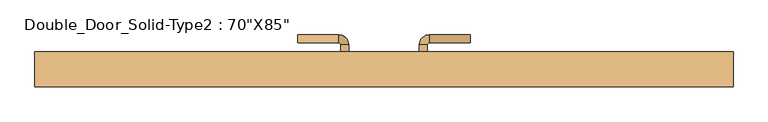
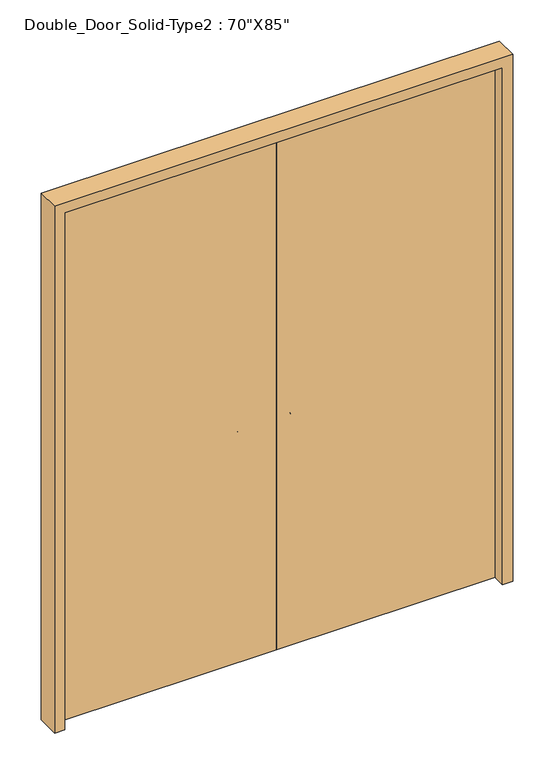
"""IFC4 building model written with IfcOpenShell, lengths in millimetres: door geometry."""

from ifc_helpers import new_model, si_unit, point, frame, frame_2d, origin, origin_with_axes, place, context, project, spatial, polyline, circle_curve, ellipse_curve, trimmed, segment, composite_curve, outline, extrude, source, transform, mapped, element, save
from ifc_brep_helpers import plane_surface, cylinder_surface, revolved_surface, advanced_brep


def door_d68e1cb7(model_context):
    return source(origin(), model_context, "Body", "SolidModel", [
        advanced_brep(
        [(-90.0, 32.45, 900.0), (-110.0, 32.45, 900.0), (-110.0, 62.45, 900.0), (-90.0, 62.45, 900.0), (-115.0, 67.45, 900.0), (-115.0, 87.45, 900.0), (-220.0, 87.45, 900.0), (-220.0, 67.45, 900.0)],
        [
            (0, 1, circle_curve(frame((-100.0, 32.45, 900.0), z_axis=(0.0, -1.0, 0.0), x_axis=(-1.0, 0.0, 0.0)), 10.0)),
            (1, 0, circle_curve(frame((-100.0, 32.45, 900.0), z_axis=(0.0, -1.0, 0.0), x_axis=(-1.0, 0.0, 0.0)), 10.0)),
            (1, 2),
            (2, 3, circle_curve(frame((-100.0, 62.45, 900.0), z_axis=(0.0, -1.0, 0.0), x_axis=(-1.0, 0.0, 0.0)), 10.0)),
            (3, 0),
            (3, 2, circle_curve(frame((-100.0, 62.45, 900.0), z_axis=(0.0, -1.0, 0.0), x_axis=(-1.0, 0.0, 0.0)), 10.0)),
            (4, 5, circle_curve(frame((-115.0, 77.45, 900.0), z_axis=(1.0, 0.0, 0.0), x_axis=(0.0, -1.0, 0.0)), 10.0)),
            (5, 3, circle_curve(frame((-115.0, 62.45, 900.0), z_axis=(0.0, 0.0, -1.0), x_axis=(1.0, 0.0, 0.0)), 25.0)),
            (2, 4, circle_curve(frame((-115.0, 62.45, 900.0), z_axis=(0.0, 0.0, 1.0), x_axis=(1.0, 0.0, 0.0)), 5.0)),
            (5, 4, circle_curve(frame((-115.0, 77.45, 900.0), z_axis=(1.0, 0.0, 0.0), x_axis=(0.0, -1.0, 0.0)), 10.0)),
            (6, 7, circle_curve(frame((-220.0, 77.45, 900.0), z_axis=(-1.0, 0.0, 0.0), x_axis=(0.0, -1.0, 0.0)), 10.0)),
            (7, 6, circle_curve(frame((-220.0, 77.45, 900.0), z_axis=(-1.0, 0.0, 0.0), x_axis=(0.0, -1.0, 0.0)), 10.0)),
            (4, 7),
            (6, 5),
        ],
        [
            plane_surface(frame((-100.0, 32.45, 900.0), z_axis=(0.0, -1.0, 0.0), x_axis=(0.0, 0.0, 1.0))),
            cylinder_surface(frame((-100.0, 32.45, 900.0), z_axis=(0.0, -1.0, 0.0), x_axis=(-1.0, 0.0, 0.0)), 10.0),
            revolved_surface(trimmed(ellipse_curve(frame((-100.0, 62.45, 900.0), z_axis=(0.0, 1.0, 0.0), x_axis=(-1.0, 0.0, 0.0)), 10.0, 10.0), [point((-90.0, 62.45, 900.0))], [point((-110.0, 62.45, 900.0))], True, "CARTESIAN"), (-115.0, 62.45, 900.0), (0.0, 0.0, -1.0)),
            revolved_surface(trimmed(ellipse_curve(frame((-100.0, 62.45, 900.0), z_axis=(0.0, 1.0, 0.0), x_axis=(-1.0, 0.0, 0.0)), 10.0, 10.0), [point((-110.0, 62.45, 900.0))], [point((-90.0, 62.45, 900.0))], True, "CARTESIAN"), (-115.0, 62.45, 900.0), (0.0, 0.0, -1.0)),
            plane_surface(frame((-220.0, 77.45, 900.0), z_axis=(-1.0, 0.0, 0.0), x_axis=(0.0, 0.0, 1.0))),
            cylinder_surface(frame((-115.0, 77.45, 900.0), z_axis=(1.0, 0.0, 0.0), x_axis=(0.0, -1.0, 0.0)), 10.0),
        ],
        [
            (0, [[1, 2]]),
            (1, [[3, 4, 5, -2]]),
            (1, [[-5, 6, -3, -1]]),
            (2, [[7, 8, -4, 9]]),
            (3, [[10, -9, -6, -8]]),
            (4, [[11, 12]]),
            (5, [[13, -11, 14, -7]]),
            (5, [[-14, -12, -13, -10]]),
        ],
    ),
        extrude(outline(composite_curve([segment(trimmed(circle_curve(frame_2d((900.0, -97.5)), 30.0), [point((900.0, -67.5))], [point((900.0, -127.5))], False, "CARTESIAN"), True, "CONTINUOUS"), segment(trimmed(circle_curve(frame_2d((900.0, -97.5)), 30.0), [point((900.0, -127.5))], [point((900.0, -67.5))], False, "CARTESIAN"), True, "CONTINUOUS")], self_intersect=False)), frame((0.0, 24.45, 0.0), z_axis=(0.0, 1.0, 0.0), x_axis=(0.0, 0.0, 1.0)), (0.0, 0.0, 1.0), 8.0),
        advanced_brep(
        [(90.0, 32.45, 900.0), (110.0, 32.45, 900.0), (90.0, 62.45, 900.0), (110.0, 62.45, 900.0), (115.0, 67.45, 900.0), (115.0, 87.45, 900.0), (220.0, 87.45, 900.0), (220.0, 67.45, 900.0)],
        [
            (0, 1, circle_curve(frame((100.0, 32.45, 900.0), z_axis=(0.0, -1.0, 0.0), x_axis=(1.0, 0.0, 0.0)), 10.0)),
            (1, 0, circle_curve(frame((100.0, 32.45, 900.0), z_axis=(0.0, -1.0, 0.0), x_axis=(1.0, 0.0, 0.0)), 10.0)),
            (0, 2),
            (2, 3, circle_curve(frame((100.0, 62.45, 900.0), z_axis=(0.0, -1.0, 0.0), x_axis=(1.0, 0.0, 0.0)), 10.0)),
            (3, 1),
            (3, 2, circle_curve(frame((100.0, 62.45, 900.0), z_axis=(0.0, -1.0, 0.0), x_axis=(1.0, 0.0, 0.0)), 10.0)),
            (4, 3, circle_curve(frame((115.0, 62.45, 900.0), z_axis=(0.0, 0.0, 1.0), x_axis=(-1.0, 0.0, 0.0)), 5.0)),
            (2, 5, circle_curve(frame((115.0, 62.45, 900.0), z_axis=(0.0, 0.0, -1.0), x_axis=(-1.0, 0.0, 0.0)), 25.0)),
            (5, 4, circle_curve(frame((115.0, 77.45, 900.0), z_axis=(-1.0, 0.0, 0.0), x_axis=(0.0, -1.0, 0.0)), 10.0)),
            (4, 5, circle_curve(frame((115.0, 77.45, 900.0), z_axis=(-1.0, 0.0, 0.0), x_axis=(0.0, -1.0, 0.0)), 10.0)),
            (6, 7, circle_curve(frame((220.0, 77.45, 900.0), z_axis=(1.0, 0.0, 0.0), x_axis=(0.0, -1.0, 0.0)), 10.0)),
            (7, 6, circle_curve(frame((220.0, 77.45, 900.0), z_axis=(1.0, 0.0, 0.0), x_axis=(0.0, -1.0, 0.0)), 10.0)),
            (5, 6),
            (7, 4),
        ],
        [
            plane_surface(frame((100.0, 32.45, 900.0), z_axis=(0.0, -1.0, 0.0), x_axis=(0.0, 0.0, 1.0))),
            cylinder_surface(frame((100.0, 32.45, 900.0), z_axis=(0.0, -1.0, 0.0), x_axis=(1.0, 0.0, 0.0)), 10.0),
            revolved_surface(trimmed(ellipse_curve(frame((100.0, 62.45, 900.0), z_axis=(0.0, -1.0, 0.0), x_axis=(1.0, 0.0, 0.0)), 10.0, 10.0), [point((90.0, 62.45, 900.0))], [point((110.0, 62.45, 900.0))], True, "CARTESIAN"), (115.0, 62.45, 900.0), (0.0, 0.0, -1.0)),
            revolved_surface(trimmed(ellipse_curve(frame((100.0, 62.45, 900.0), z_axis=(0.0, -1.0, 0.0), x_axis=(1.0, 0.0, 0.0)), 10.0, 10.0), [point((110.0, 62.45, 900.0))], [point((90.0, 62.45, 900.0))], True, "CARTESIAN"), (115.0, 62.45, 900.0), (0.0, 0.0, -1.0)),
            plane_surface(frame((220.0, 77.45, 900.0), z_axis=(1.0, 0.0, 0.0), x_axis=(0.0, 0.0, 1.0))),
            cylinder_surface(frame((115.0, 77.45, 900.0), z_axis=(-1.0, 0.0, 0.0), x_axis=(0.0, -1.0, 0.0)), 10.0),
        ],
        [
            (0, [[1, 2]]),
            (1, [[-1, 3, 4, 5]]),
            (1, [[-2, -5, 6, -3]]),
            (2, [[7, -4, 8, 9]]),
            (3, [[-8, -6, -7, 10]]),
            (4, [[11, 12]]),
            (5, [[-9, 13, -12, 14]]),
            (5, [[-10, -14, -11, -13]]),
        ],
    ),
        extrude(outline(composite_curve([segment(trimmed(circle_curve(frame_2d((900.0, 97.5)), 30.0), [point((900.0, 67.5))], [point((900.0, 127.5))], False, "CARTESIAN"), True, "CONTINUOUS"), segment(trimmed(circle_curve(frame_2d((900.0, 97.5)), 30.0), [point((900.0, 127.5))], [point((900.0, 67.5))], False, "CARTESIAN"), True, "CONTINUOUS")], self_intersect=False)), frame((0.0, 24.45, 0.0), z_axis=(0.0, 1.0, 0.0), x_axis=(0.0, 0.0, 1.0)), (0.0, 0.0, 1.0), 8.0),
        extrude(outline(polyline([(0.0, -889.0), (0.0, -849.0), (2119.0, -849.0), (2119.0, 849.0), (0.0, 849.0), (0.0, 889.0), (2159.0, 889.0), (2159.0, -889.0), (0.0, -889.0)])), frame((0.0, -44.45, 0.0), z_axis=(0.0, 1.0, 0.0), x_axis=(0.0, 0.0, 1.0)), (0.0, 0.0, 1.0), 88.9),
        extrude(outline(polyline([(0.0, 4.45), (-849.0, 4.45), (-849.0, 24.45), (0.0, 24.45), (0.0, 4.45)])), origin_with_axes(), (0.0, 0.0, 1.0), 2119.0),
        extrude(outline(polyline([(849.0, 4.45), (0.0, 4.45), (0.0, 24.45), (849.0, 24.45), (849.0, 4.45)])), origin_with_axes(), (0.0, 0.0, 1.0), 2119.0),
    ])


if __name__ == "__main__":
    model = new_model("IFC4")
    model_context = context("Model", 3, world=origin())
    ifc_project = project(units=[si_unit("LENGTHUNIT", "METRE", prefix="MILLI")], contexts=[model_context])
    site = spatial("IfcSite", under=ifc_project)
    building = spatial("IfcBuilding", under=site)
    placement = place(None, origin())
    door_shape = door_d68e1cb7(model_context)
    element("IfcDoor", 1, ObjectType="Double_Door_Solid-Type2 : 70\"X85\"", at=placement, inside=building, context=model_context, shape_type="MappedRepresentation", body=[
        mapped(door_shape, transform((0.0, 0.0, 0.0), x_axis=(1.0, 0.0, 0.0), y_axis=(0.0, 1.0, 0.0), z_axis=(0.0, 0.0, 1.0))),
    ])
    save(model, "model.ifc")
